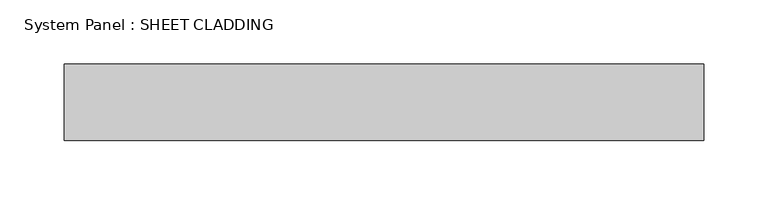
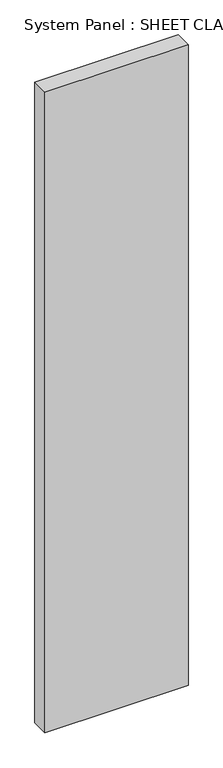
"""IFC4 building model written with IfcOpenShell, lengths in millimetres: plate geometry, System Panel : SHEET CLADDING."""

from ifc_helpers import new_model, si_unit, origin, origin_with_axes, place, context, project, spatial, polyline, outline, extrude, source, transform, mapped, element, save


def system_panel_sheet_cladding_9e41924c(model_context):
    return source(origin(), model_context, "Body", "SweptSolid", [
        extrude(outline(polyline([(249.9999998, -10.5), (-249.9999998, -10.5), (-249.9999998, 49.5), (249.9999998, 49.5), (249.9999998, -10.5)])), origin_with_axes(), (0.0, 0.0, 1.0), 2365.0),
    ])


if __name__ == "__main__":
    model = new_model("IFC4")
    model_context = context("Model", 3, world=origin())
    ifc_project = project(units=[si_unit("LENGTHUNIT", "METRE", prefix="MILLI")], contexts=[model_context])
    site = spatial("IfcSite", under=ifc_project)
    building = spatial("IfcBuilding", under=site)
    placement = place(None, origin())
    system_panel_sheet_cladding_shape = system_panel_sheet_cladding_9e41924c(model_context)
    element("IfcPlate", 1, ObjectType="System Panel : SHEET CLADDING", at=placement, inside=building, context=model_context, shape_type="MappedRepresentation", body=[
        mapped(system_panel_sheet_cladding_shape, transform((0.0, 0.0, 0.0), x_axis=(1.0, 0.0, 0.0), y_axis=(0.0, 1.0, 0.0), z_axis=(0.0, 0.0, 1.0))),
    ])
    save(model, "model.ifc")
